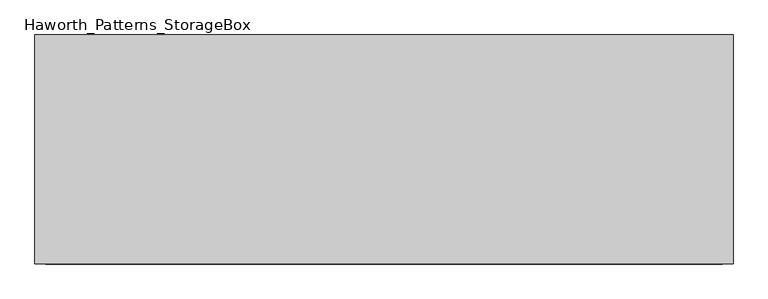
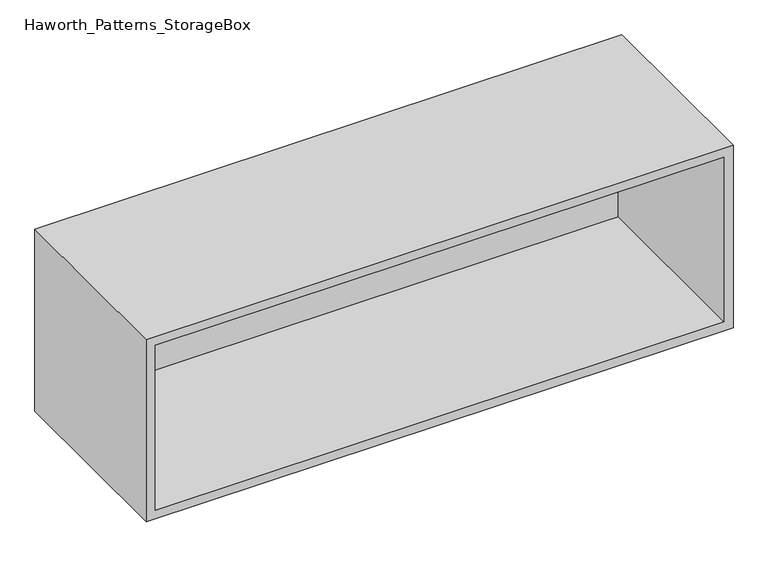
"""IFC4 building model written with IfcOpenShell, lengths in millimetres: furniture geometry, Haworth_Patterns_StorageBox."""

from ifc_helpers import new_model, si_unit, frame, origin, place, context, project, spatial, polyline, outline, extrude, source, transform, mapped, element, save


def haworth_patterns_storagebox_72ad1f50(model_context):
    return source(origin(), model_context, "Body", "SweptSolid", [
        extrude(outline(polyline([(-390.525, -346.075), (-390.525, -53.975), (720.725, -53.975), (720.725, -346.075), (-390.525, -346.075)])), frame((0.0, 0.0, 762.0), z_axis=(0.0, 0.0, 1.0), x_axis=(1.0, 0.0, 0.0)), (0.0, 0.0, 1.0), 19.05),
        extrude(outline(polyline([(755.65, -19.05), (-425.45, -19.05), (-425.45, 0.0), (755.65, 0.0), (755.65, -19.05)])), frame((0.0, 0.0, 800.1), z_axis=(0.0, 0.0, 1.0), x_axis=(1.0, 0.0, 0.0)), (0.0, 0.0, 1.0), 361.95),
        extrude(outline(polyline([(781.05, 774.7), (1181.1, 774.7), (1181.1, -444.5), (781.05, -444.5), (781.05, 774.7)]), holes=[polyline([(1162.05, 755.65), (800.1, 755.65), (800.1, -425.45), (1162.05, -425.45), (1162.05, 755.65)])]), frame((0.0, -400.05, 0.0), z_axis=(0.0, 1.0, 0.0), x_axis=(0.0, 0.0, 1.0)), (0.0, 0.0, 1.0), 400.05),
    ])


if __name__ == "__main__":
    model = new_model("IFC4")
    model_context = context("Model", 3, world=origin())
    ifc_project = project(units=[si_unit("LENGTHUNIT", "METRE", prefix="MILLI")], contexts=[model_context])
    site = spatial("IfcSite", under=ifc_project)
    building = spatial("IfcBuilding", under=site)
    placement = place(None, origin())
    haworth_patterns_storagebox_shape = haworth_patterns_storagebox_72ad1f50(model_context)
    element("IfcFurniture", 1, ObjectType="Haworth_Patterns_StorageBox", at=placement, inside=building, context=model_context, shape_type="MappedRepresentation", body=[
        mapped(haworth_patterns_storagebox_shape, transform((0.0, 0.0, 0.0), x_axis=(1.0, 0.0, 0.0), y_axis=(0.0, 1.0, 0.0), z_axis=(0.0, 0.0, 1.0))),
    ])
    save(model, "model.ifc")
